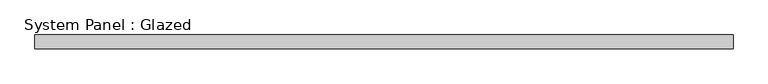
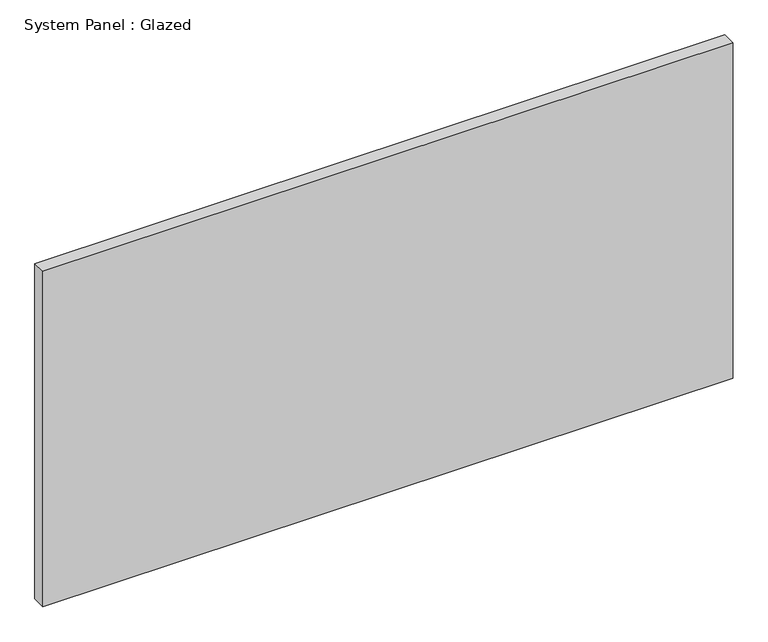
"""IFC4 building model written with IfcOpenShell, lengths in millimetres: plate geometry, System Panel : Glazed."""

from ifc_helpers import new_model, si_unit, origin, origin_with_axes, place, context, project, spatial, polyline, outline, extrude, source, transform, mapped, element, save


def system_panel_glazed_a83a7419(model_context):
    return source(origin(), model_context, "Body", "SweptSolid", [
        extrude(outline(polyline([(649.0707079, 19.05), (-649.0707079, 19.05), (-649.0707079, 44.45), (649.0707079, 44.45), (649.0707079, 19.05)])), origin_with_axes(), (0.0, 0.0, 1.0), 666.75),
    ])


if __name__ == "__main__":
    model = new_model("IFC4")
    model_context = context("Model", 3, world=origin())
    ifc_project = project(units=[si_unit("LENGTHUNIT", "METRE", prefix="MILLI")], contexts=[model_context])
    site = spatial("IfcSite", under=ifc_project)
    building = spatial("IfcBuilding", under=site)
    placement = place(None, origin())
    system_panel_glazed_shape = system_panel_glazed_a83a7419(model_context)
    element("IfcPlate", 1, ObjectType="System Panel : Glazed", at=placement, inside=building, context=model_context, shape_type="MappedRepresentation", body=[
        mapped(system_panel_glazed_shape, transform((0.0, 0.0, 0.0), x_axis=(1.0, 0.0, 0.0), y_axis=(0.0, 1.0, 0.0), z_axis=(0.0, 0.0, 1.0))),
    ])
    save(model, "model.ifc")
